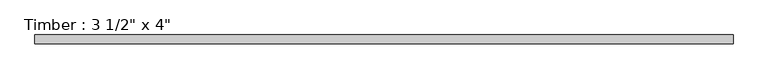
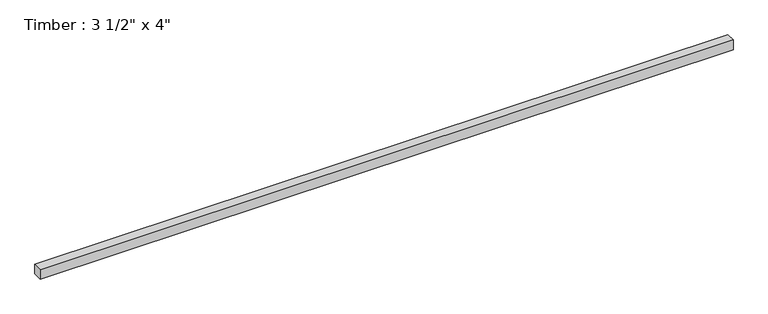
"""IFC4 building model written with IfcOpenShell, lengths in millimetres: beam geometry."""

from ifc_helpers import new_model, si_unit, frame, origin, place, context, project, spatial, polyline, outline, extrude, source, transform, mapped, element, save


def beam_e4c5a4dc(model_context):
    return source(origin(), model_context, "Body", "SweptSolid", [
        extrude(outline(polyline([(3479.9072204, -44.45), (-3479.9072204, -44.45), (-3479.9072204, 44.45), (3479.9072204, 44.45), (3479.9072204, -44.45)])), frame((0.0, 0.0, -50.8), z_axis=(0.0, 0.0, 1.0), x_axis=(1.0, 0.0, 0.0)), (0.0, 0.0, 1.0), 101.6),
    ])


if __name__ == "__main__":
    model = new_model("IFC4")
    model_context = context("Model", 3, world=origin())
    ifc_project = project(units=[si_unit("LENGTHUNIT", "METRE", prefix="MILLI")], contexts=[model_context])
    site = spatial("IfcSite", under=ifc_project)
    building = spatial("IfcBuilding", under=site)
    placement = place(None, origin())
    beam_shape = beam_e4c5a4dc(model_context)
    element("IfcBeam", 1, ObjectType="Timber : 3 1/2\" x 4\"", at=placement, inside=building, context=model_context, shape_type="MappedRepresentation", body=[
        mapped(beam_shape, transform((0.0, 0.0, 0.0), x_axis=(1.0, 0.0, 0.0), y_axis=(0.0, 1.0, 0.0), z_axis=(0.0, 0.0, 1.0))),
    ])
    save(model, "model.ifc")
